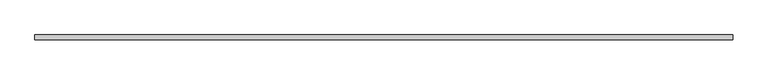
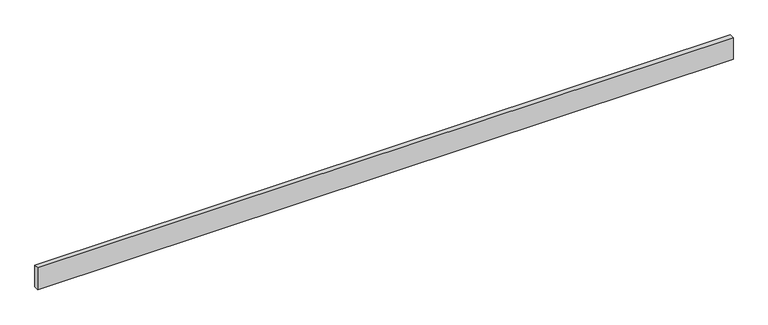
"""IFC4 building model written with IfcOpenShell, lengths in millimetres: beam geometry."""

from ifc_helpers import new_model, si_unit, frame, origin, place, context, project, spatial, polyline, outline, extrude, source, transform, mapped, element, save


def beam_53919992(model_context):
    return source(origin(), model_context, "Body", "SweptSolid", [
        extrude(outline(polyline([(-2781.3, 19.05), (2781.3, 19.05), (2781.3, -19.05), (-2781.3, -19.05), (-2781.3, 19.05)])), frame((0.0, 0.0, -92.075), z_axis=(0.0, 0.0, 1.0), x_axis=(1.0, 0.0, 0.0)), (0.0, 0.0, 1.0), 184.15),
    ])


if __name__ == "__main__":
    model = new_model("IFC4")
    model_context = context("Model", 3, world=origin())
    ifc_project = project(units=[si_unit("LENGTHUNIT", "METRE", prefix="MILLI")], contexts=[model_context])
    site = spatial("IfcSite", under=ifc_project)
    building = spatial("IfcBuilding", under=site)
    placement = place(None, origin())
    beam_shape = beam_53919992(model_context)
    element("IfcBeam", 1, at=placement, inside=building, context=model_context, shape_type="MappedRepresentation", body=[
        mapped(beam_shape, transform((0.0, 0.0, 0.0), x_axis=(1.0, 0.0, 0.0), y_axis=(0.0, 1.0, 0.0), z_axis=(0.0, 0.0, 1.0))),
    ])
    save(model, "model.ifc")
